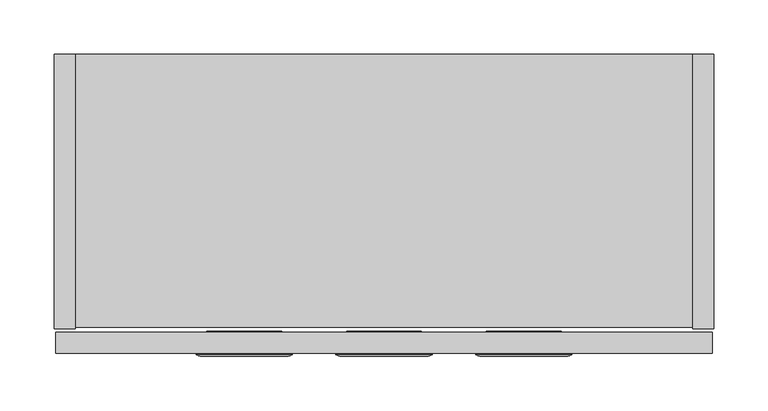
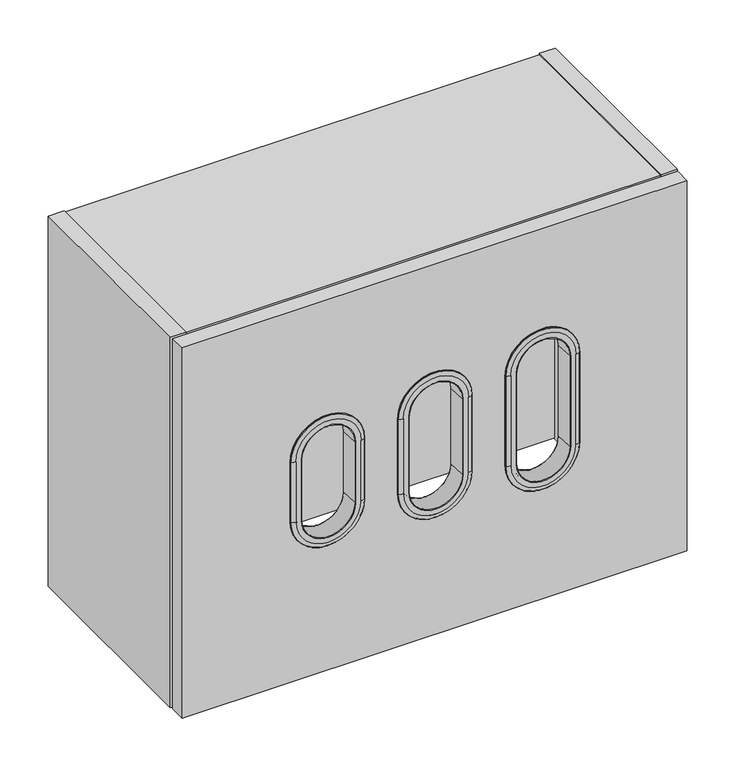
"""IFC4 building model written with IfcOpenShell, lengths in millimetres: furniture geometry."""

from ifc_helpers import new_model, si_unit, point, frame, frame_2d, origin, place, context, project, spatial, polyline, circle_curve, ellipse_curve, trimmed, segment, composite_curve, outline, extrude, source, transform, mapped, element, save
from ifc_brep_helpers import plane_surface, cylinder_surface, revolved_surface, advanced_brep


def furniture_492962ea(model_context):
    return source(origin(), model_context, "Body", "SolidModel", [
        extrude(outline(polyline([(609.6, -253.746), (590.296, -253.746), (590.296, 0.0), (609.6, 0.0), (609.6, -253.746)])), frame((0.0, 0.0, 1879.6), z_axis=(0.0, 0.0, 1.0), x_axis=(1.0, 0.0, 0.0)), (0.0, 0.0, 1.0), 469.9),
        extrude(outline(polyline([(19.304, -253.746), (0.0, -253.746), (0.0, 0.0), (19.304, 0.0), (19.304, -253.746)])), frame((0.0, 0.0, 1879.6), z_axis=(0.0, 0.0, 1.0), x_axis=(1.0, 0.0, 0.0)), (0.0, 0.0, 1.0), 469.9),
        extrude(outline(polyline([(590.296, -12.7), (590.296, -32.004), (19.304, -32.004), (19.304, -12.7), (590.296, -12.7)])), frame((0.0, 0.0, 1881.124), z_axis=(0.0, 0.0, 1.0), x_axis=(1.0, 0.0, 0.0)), (0.0, 0.0, 1.0), 449.072),
        extrude(outline(polyline([(590.296, -252.222), (19.304, -252.222), (19.304, -150.622), (590.296, -150.622), (590.296, -252.222)])), frame((0.0, 0.0, 1881.124), z_axis=(0.0, 0.0, 1.0), x_axis=(1.0, 0.0, 0.0)), (0.0, 0.0, 1.0), 19.304),
        extrude(outline(polyline([(590.296, -252.222), (19.304, -252.222), (19.304, 0.0), (590.296, 0.0), (590.296, -252.222)])), frame((0.0, 0.0, 2330.196), z_axis=(0.0, 0.0, 1.0), x_axis=(1.0, 0.0, 0.0)), (0.0, 0.0, 1.0), 17.78),
        advanced_brep(
        [(465.9192539, -278.6290346, 2178.05), (465.1479285, -256.5411669, 2178.05), (465.1479285, -256.5411669, 2063.75), (465.9192539, -278.6290346, 2063.75), (466.5334946, -279.2222, 2178.05), (466.5334946, -279.2222, 2063.75), (477.995775, -277.8997336, 2178.05), (473.034376, -279.2222, 2178.05), (473.034376, -279.2222, 2063.75), (477.995775, -277.8997336, 2063.75), (478.408104, -277.2288403, 2178.05), (478.408104, -277.2288403, 2063.75), (478.4607131, -276.225, 2178.05), (478.4607131, -276.225, 2063.75), (468.4776, -255.905, 2178.05), (468.4776, -276.225, 2178.05), (468.4776, -276.225, 2063.75), (468.4776, -255.905, 2063.75), (465.7622678, -255.905, 2178.05), (465.7622678, -255.905, 2063.75), (401.9479461, -278.6290346, 2063.75), (402.7192715, -256.5411669, 2063.75), (401.3337054, -279.2222, 2063.75), (389.871425, -277.8997336, 2063.75), (394.832824, -279.2222, 2063.75), (389.459096, -277.2288403, 2063.75), (389.4064869, -276.225, 2063.75), (399.3896, -255.905, 2063.75), (399.3896, -276.225, 2063.75), (402.1049322, -255.905, 2063.75), (402.7192715, -256.5411669, 2178.05), (401.9479461, -278.6290346, 2178.05), (401.3337054, -279.2222, 2178.05), (394.832824, -279.2222, 2178.05), (389.871425, -277.8997336, 2178.05), (389.459096, -277.2288403, 2178.05), (389.4064869, -276.225, 2178.05), (399.3896, -276.225, 2178.05), (399.3896, -255.905, 2178.05), (402.1049322, -255.905, 2178.05)],
        [
            (0, 1),
            (1, 2),
            (2, 3),
            (3, 0),
            (4, 0, circle_curve(frame((466.5334946, -278.6075849, 2178.05), z_axis=(0.0, 0.0, -1.0), x_axis=(1.0, 0.0, 0.0)), 0.6146151)),
            (3, 5, circle_curve(frame((466.5334946, -278.6075849, 2063.75), z_axis=(0.0, 0.0, 1.0), x_axis=(1.0, 0.0, 0.0)), 0.6146151)),
            (5, 4),
            (6, 7, circle_curve(frame((473.034376, -269.254311, 2178.05), z_axis=(0.0, 0.0, -1.0), x_axis=(1.0, 0.0, 0.0)), 9.967889)),
            (7, 8),
            (8, 9, circle_curve(frame((473.034376, -269.254311, 2063.75), z_axis=(0.0, 0.0, 1.0), x_axis=(1.0, 0.0, 0.0)), 9.967889)),
            (9, 6),
            (10, 6, circle_curve(frame((477.5860416, -277.1857579, 2178.05), z_axis=(0.0, 0.0, -1.0), x_axis=(1.0, 0.0, 0.0)), 0.8231906)),
            (9, 11, circle_curve(frame((477.5860416, -277.1857579, 2063.75), z_axis=(0.0, 0.0, 1.0), x_axis=(1.0, 0.0, 0.0)), 0.8231906)),
            (11, 10),
            (12, 10),
            (11, 13),
            (13, 12),
            (14, 15),
            (15, 16),
            (16, 17),
            (17, 14),
            (1, 18, circle_curve(frame((465.7622678, -256.5197137, 2178.05), z_axis=(0.0, 0.0, -1.0), x_axis=(1.0, 0.0, 0.0)), 0.6147137)),
            (18, 19),
            (19, 2, circle_curve(frame((465.7622678, -256.5197137, 2063.75), z_axis=(0.0, 0.0, 1.0), x_axis=(1.0, 0.0, 0.0)), 0.6147137)),
            (20, 3, circle_curve(frame((433.9336, -278.6290346, 2063.75), z_axis=(0.0, -1.0, 0.0), x_axis=(1.0, 0.0, 0.0)), 31.9856539)),
            (2, 21, circle_curve(frame((433.9336, -256.5411669, 2063.75), z_axis=(0.0, 1.0, 0.0), x_axis=(1.0, 0.0, 0.0)), 31.2143285)),
            (21, 20),
            (22, 5, circle_curve(frame((433.9336, -279.2222, 2063.75), z_axis=(0.0, -1.0, 0.0), x_axis=(1.0, 0.0, 0.0)), 32.5998946)),
            (20, 22, circle_curve(frame((401.3337054, -278.6075849, 2063.75), z_axis=(0.0, 0.0, -1.0), x_axis=(-1.0, 0.0, 0.0)), 0.6146151)),
            (23, 9, circle_curve(frame((433.9336, -277.8997336, 2063.75), z_axis=(0.0, -1.0, 0.0), x_axis=(1.0, 0.0, 0.0)), 44.062175)),
            (8, 24, circle_curve(frame((433.9336, -279.2222, 2063.75), z_axis=(0.0, 1.0, 0.0), x_axis=(1.0, 0.0, 0.0)), 39.100776)),
            (24, 23, circle_curve(frame((394.832824, -269.254311, 2063.75), z_axis=(0.0, 0.0, -1.0), x_axis=(-1.0, 0.0, 0.0)), 9.967889)),
            (25, 11, circle_curve(frame((433.9336, -277.2288403, 2063.75), z_axis=(0.0, -1.0, 0.0), x_axis=(1.0, 0.0, 0.0)), 44.474504)),
            (23, 25, circle_curve(frame((390.2811584, -277.1857579, 2063.75), z_axis=(0.0, 0.0, -1.0), x_axis=(-1.0, 0.0, 0.0)), 0.8231906)),
            (26, 13, circle_curve(frame((433.9336, -276.225, 2063.75), z_axis=(0.0, -1.0, 0.0), x_axis=(1.0, 0.0, 0.0)), 44.5271131)),
            (25, 26),
            (27, 17, circle_curve(frame((433.9336, -255.905, 2063.75), z_axis=(0.0, -1.0, 0.0), x_axis=(1.0, 0.0, 0.0)), 34.544)),
            (16, 28, circle_curve(frame((433.9336, -276.225, 2063.75), z_axis=(0.0, 1.0, 0.0), x_axis=(1.0, 0.0, 0.0)), 34.544)),
            (28, 27),
            (19, 29, circle_curve(frame((433.9336, -255.905, 2063.75), z_axis=(0.0, 1.0, 0.0), x_axis=(1.0, 0.0, 0.0)), 31.8286678)),
            (29, 21, circle_curve(frame((402.1049322, -256.5197137, 2063.75), z_axis=(0.0, 0.0, -1.0), x_axis=(-1.0, 0.0, 0.0)), 0.6147137)),
            (21, 30),
            (30, 31),
            (31, 20),
            (31, 32, circle_curve(frame((401.3337054, -278.6075849, 2178.05), z_axis=(0.0, 0.0, -1.0), x_axis=(-1.0, 0.0, 0.0)), 0.6146151)),
            (32, 22),
            (24, 33),
            (33, 34, circle_curve(frame((394.832824, -269.254311, 2178.05), z_axis=(0.0, 0.0, -1.0), x_axis=(-1.0, 0.0, 0.0)), 9.967889)),
            (34, 23),
            (34, 35, circle_curve(frame((390.2811584, -277.1857579, 2178.05), z_axis=(0.0, 0.0, -1.0), x_axis=(-1.0, 0.0, 0.0)), 0.8231906)),
            (35, 25),
            (35, 36),
            (36, 26),
            (28, 37),
            (37, 38),
            (38, 27),
            (29, 39),
            (39, 30, circle_curve(frame((402.1049322, -256.5197137, 2178.05), z_axis=(0.0, 0.0, -1.0), x_axis=(-1.0, 0.0, 0.0)), 0.6147137)),
            (0, 31, circle_curve(frame((433.9336, -278.6290346, 2178.05), z_axis=(0.0, -1.0, 0.0), x_axis=(-1.0, 0.0, 0.0)), 31.9856539)),
            (30, 1, circle_curve(frame((433.9336, -256.5411669, 2178.05), z_axis=(0.0, 1.0, 0.0), x_axis=(-1.0, 0.0, 0.0)), 31.2143285)),
            (4, 32, circle_curve(frame((433.9336, -279.2222, 2178.05), z_axis=(0.0, -1.0, 0.0), x_axis=(-1.0, 0.0, 0.0)), 32.5998946)),
            (7, 33, circle_curve(frame((433.9336, -279.2222, 2178.05), z_axis=(0.0, -1.0, 0.0), x_axis=(-1.0, 0.0, 0.0)), 39.100776)),
            (6, 34, circle_curve(frame((433.9336, -277.8997336, 2178.05), z_axis=(0.0, -1.0, 0.0), x_axis=(-1.0, 0.0, 0.0)), 44.062175)),
            (10, 35, circle_curve(frame((433.9336, -277.2288403, 2178.05), z_axis=(0.0, -1.0, 0.0), x_axis=(-1.0, 0.0, 0.0)), 44.474504)),
            (12, 36, circle_curve(frame((433.9336, -276.225, 2178.05), z_axis=(0.0, -1.0, 0.0), x_axis=(-1.0, 0.0, 0.0)), 44.5271131)),
            (15, 37, circle_curve(frame((433.9336, -276.225, 2178.05), z_axis=(0.0, -1.0, 0.0), x_axis=(-1.0, 0.0, 0.0)), 34.544)),
            (14, 38, circle_curve(frame((433.9336, -255.905, 2178.05), z_axis=(0.0, -1.0, 0.0), x_axis=(-1.0, 0.0, 0.0)), 34.544)),
            (18, 39, circle_curve(frame((433.9336, -255.905, 2178.05), z_axis=(0.0, -1.0, 0.0), x_axis=(-1.0, 0.0, 0.0)), 31.8286678)),
        ],
        [
            plane_surface(frame((465.1479285, -256.5411669, 2178.05), z_axis=(-0.9993908270190941, -0.03489949670254908, 0.0), x_axis=(0.0, 0.0, -1.0))),
            cylinder_surface(frame((466.5334946, -278.6075849, 2178.05), z_axis=(0.0, 0.0, 1.0), x_axis=(1.0, 0.0, 0.0)), 0.6146151),
            cylinder_surface(frame((473.034376, -269.254311, 2178.05), z_axis=(0.0, 0.0, 1.0), x_axis=(1.0, 0.0, 0.0)), 9.967889),
            cylinder_surface(frame((477.5860416, -277.1857579, 2178.05), z_axis=(0.0, 0.0, 1.0), x_axis=(1.0, 0.0, 0.0)), 0.8231906),
            plane_surface(frame((478.408104, -277.2288403, 2178.05), z_axis=(0.9986295347545768, -0.052335956242888795, 0.0), x_axis=(0.0, 0.0, -1.0))),
            plane_surface(frame((468.4776, -276.225, 2178.05), z_axis=(1.0, 0.0, 0.0), x_axis=(0.0, 0.0, -1.0))),
            cylinder_surface(frame((465.7622678, -256.5197137, 2178.05), z_axis=(0.0, 0.0, 1.0), x_axis=(1.0, 0.0, 0.0)), 0.6147137),
            revolved_surface(polyline([(465.1479285, -256.5411669, 2063.75), (465.9192539, -278.6290346, 2063.75)]), (433.9336, -276.225, 2063.75), (0.0, 1.0, 0.0)),
            revolved_surface(trimmed(ellipse_curve(frame((466.5334946, -278.6075849, 2063.75), z_axis=(0.0, 0.0, 1.0), x_axis=(1.0, 0.0, 0.0)), 0.6146151, 0.6146151), [point((465.9192539, -278.6290346, 2063.75))], [point((466.5334946, -279.2222, 2063.75))], True, "CARTESIAN"), (433.9336, -276.225, 2063.75), (0.0, 1.0, 0.0)),
            revolved_surface(trimmed(ellipse_curve(frame((473.034376, -269.254311, 2063.75), z_axis=(0.0, 0.0, 1.0), x_axis=(1.0, 0.0, 0.0)), 9.967889, 9.967889), [point((473.034376, -279.2222, 2063.75))], [point((477.995775, -277.8997336, 2063.75))], True, "CARTESIAN"), (433.9336, -276.225, 2063.75), (0.0, 1.0, 0.0)),
            revolved_surface(trimmed(ellipse_curve(frame((477.5860416, -277.1857579, 2063.75), z_axis=(0.0, 0.0, 1.0), x_axis=(1.0, 0.0, 0.0)), 0.8231906, 0.8231906), [point((477.995775, -277.8997336, 2063.75))], [point((478.408104, -277.2288403, 2063.75))], True, "CARTESIAN"), (433.9336, -276.225, 2063.75), (0.0, 1.0, 0.0)),
            revolved_surface(polyline([(478.408104, -277.2288403, 2063.75), (478.4607131, -276.225, 2063.75)]), (433.9336, -276.225, 2063.75), (0.0, 1.0, 0.0)),
            cylinder_surface(frame((433.9336, -276.225, 2063.75), z_axis=(0.0, 1.0, 0.0), x_axis=(1.0, 0.0, 0.0)), 34.544),
            revolved_surface(trimmed(ellipse_curve(frame((465.7622678, -256.5197137, 2063.75), z_axis=(0.0, 0.0, 1.0), x_axis=(1.0, 0.0, 0.0)), 0.6147137, 0.6147137), [point((465.7622678, -255.905, 2063.75))], [point((465.1479285, -256.5411669, 2063.75))], True, "CARTESIAN"), (433.9336, -276.225, 2063.75), (0.0, 1.0, 0.0)),
            plane_surface(frame((402.7192715, -256.5411669, 2063.75), z_axis=(0.9993908270190941, -0.03489949670254908, 0.0), x_axis=(0.0, 0.0, 1.0))),
            cylinder_surface(frame((401.3337054, -278.6075849, 2063.75), z_axis=(0.0, 0.0, -1.0), x_axis=(-1.0, 0.0, 0.0)), 0.6146151),
            cylinder_surface(frame((394.832824, -269.254311, 2063.75), z_axis=(0.0, 0.0, -1.0), x_axis=(-1.0, 0.0, 0.0)), 9.967889),
            cylinder_surface(frame((390.2811584, -277.1857579, 2063.75), z_axis=(0.0, 0.0, -1.0), x_axis=(-1.0, 0.0, 0.0)), 0.8231906),
            plane_surface(frame((389.459096, -277.2288403, 2063.75), z_axis=(-0.9986295347545768, -0.052335956242888795, 0.0), x_axis=(0.0, 0.0, 1.0))),
            plane_surface(frame((399.3896, -276.225, 2063.75), z_axis=(-1.0, 0.0, 0.0), x_axis=(0.0, 0.0, 1.0))),
            cylinder_surface(frame((402.1049322, -256.5197137, 2063.75), z_axis=(0.0, 0.0, -1.0), x_axis=(-1.0, 0.0, 0.0)), 0.6147137),
            revolved_surface(polyline([(402.7192715, -256.5411669, 2178.05), (401.9479461, -278.6290346, 2178.05)]), (433.9336, -276.225, 2178.05), (0.0, 1.0, 0.0)),
            revolved_surface(trimmed(ellipse_curve(frame((401.3337054, -278.6075849, 2178.05), z_axis=(0.0, 0.0, -1.0), x_axis=(-1.0, 0.0, 0.0)), 0.6146151, 0.6146151), [point((401.9479461, -278.6290346, 2178.05))], [point((401.3337054, -279.2222, 2178.05))], True, "CARTESIAN"), (433.9336, -276.225, 2178.05), (0.0, 1.0, 0.0)),
            plane_surface(frame((433.9336, -279.2222, 2178.05), z_axis=(0.0, -1.0, 0.0), x_axis=(-1.0, 0.0, 0.0))),
            revolved_surface(trimmed(ellipse_curve(frame((394.832824, -269.254311, 2178.05), z_axis=(0.0, 0.0, -1.0), x_axis=(-1.0, 0.0, 0.0)), 9.967889, 9.967889), [point((394.832824, -279.2222, 2178.05))], [point((389.871425, -277.8997336, 2178.05))], True, "CARTESIAN"), (433.9336, -276.225, 2178.05), (0.0, 1.0, 0.0)),
            revolved_surface(trimmed(ellipse_curve(frame((390.2811584, -277.1857579, 2178.05), z_axis=(0.0, 0.0, -1.0), x_axis=(-1.0, 0.0, 0.0)), 0.8231906, 0.8231906), [point((389.871425, -277.8997336, 2178.05))], [point((389.459096, -277.2288403, 2178.05))], True, "CARTESIAN"), (433.9336, -276.225, 2178.05), (0.0, 1.0, 0.0)),
            revolved_surface(polyline([(389.459096, -277.2288403, 2178.05), (389.4064869, -276.225, 2178.05)]), (433.9336, -276.225, 2178.05), (0.0, 1.0, 0.0)),
            plane_surface(frame((433.9336, -276.225, 2178.05), z_axis=(0.0, 1.0, 0.0), x_axis=(-1.0, 0.0, 0.0))),
            cylinder_surface(frame((433.9336, -276.225, 2178.05), z_axis=(0.0, 1.0, 0.0), x_axis=(-1.0, 0.0, 0.0)), 34.544),
            plane_surface(frame((433.9336, -255.905, 2178.05), z_axis=(0.0, 1.0, 0.0), x_axis=(-1.0, 0.0, 0.0))),
            revolved_surface(trimmed(ellipse_curve(frame((402.1049322, -256.5197137, 2178.05), z_axis=(0.0, 0.0, -1.0), x_axis=(-1.0, 0.0, 0.0)), 0.6147137, 0.6147137), [point((402.1049322, -255.905, 2178.05))], [point((402.7192715, -256.5411669, 2178.05))], True, "CARTESIAN"), (433.9336, -276.225, 2178.05), (0.0, 1.0, 0.0)),
        ],
        [
            (0, [[1, 2, 3, 4]]),
            (1, [[5, -4, 6, 7]]),
            (2, [[8, 9, 10, 11]]),
            (3, [[12, -11, 13, 14]]),
            (4, [[15, -14, 16, 17]]),
            (5, [[18, 19, 20, 21]]),
            (6, [[22, 23, 24, -2]]),
            (7, [[25, -3, 26, 27]]),
            (8, [[28, -6, -25, 29]]),
            (9, [[30, -10, 31, 32]]),
            (10, [[33, -13, -30, 34]]),
            (11, [[35, -16, -33, 36]]),
            (12, [[37, -20, 38, 39]]),
            (13, [[-26, -24, 40, 41]]),
            (14, [[-27, 42, 43, 44]]),
            (15, [[-29, -44, 45, 46]]),
            (16, [[-32, 47, 48, 49]]),
            (17, [[-34, -49, 50, 51]]),
            (18, [[-36, -51, 52, 53]]),
            (19, [[-39, 54, 55, 56]]),
            (20, [[-41, 57, 58, -42]]),
            (21, [[59, -43, 60, -1]]),
            (22, [[61, -45, -59, -5]]),
            (23, [[62, -47, -31, -9], [-28, -46, -61, -7]]),
            (24, [[63, -48, -62, -8]]),
            (25, [[64, -50, -63, -12]]),
            (26, [[65, -52, -64, -15]]),
            (27, [[-35, -53, -65, -17], [66, -54, -38, -19]]),
            (28, [[67, -55, -66, -18]]),
            (29, [[-37, -56, -67, -21], [68, -57, -40, -23]]),
            (30, [[-60, -58, -68, -22]]),
        ],
    ),
        advanced_brep(
        [(336.7856539, -278.6290346, 2168.525), (336.0143285, -256.5411669, 2168.525), (336.0143285, -256.5411669, 2073.275), (336.7856539, -278.6290346, 2073.275), (337.3998946, -279.2222, 2168.525), (337.3998946, -279.2222, 2073.275), (348.862175, -277.8997336, 2168.525), (343.900776, -279.2222, 2168.525), (343.900776, -279.2222, 2073.275), (348.862175, -277.8997336, 2073.275), (349.274504, -277.2288403, 2168.525), (349.274504, -277.2288403, 2073.275), (349.3271131, -276.225, 2168.525), (349.3271131, -276.225, 2073.275), (339.344, -255.905, 2168.525), (339.344, -276.225, 2168.525), (339.344, -276.225, 2073.275), (339.344, -255.905, 2073.275), (336.6286678, -255.905, 2168.525), (336.6286678, -255.905, 2073.275), (272.8143461, -278.6290346, 2073.275), (273.5856715, -256.5411669, 2073.275), (272.2001054, -279.2222, 2073.275), (260.737825, -277.8997336, 2073.275), (265.699224, -279.2222, 2073.275), (260.325496, -277.2288403, 2073.275), (260.2728869, -276.225, 2073.275), (270.256, -255.905, 2073.275), (270.256, -276.225, 2073.275), (272.9713322, -255.905, 2073.275), (273.5856715, -256.5411669, 2168.525), (272.8143461, -278.6290346, 2168.525), (272.2001054, -279.2222, 2168.525), (265.699224, -279.2222, 2168.525), (260.737825, -277.8997336, 2168.525), (260.325496, -277.2288403, 2168.525), (260.2728869, -276.225, 2168.525), (270.256, -276.225, 2168.525), (270.256, -255.905, 2168.525), (272.9713322, -255.905, 2168.525)],
        [
            (0, 1),
            (1, 2),
            (2, 3),
            (3, 0),
            (4, 0, circle_curve(frame((337.3998946, -278.6075849, 2168.525), z_axis=(0.0, 0.0, -1.0), x_axis=(1.0, 0.0, 0.0)), 0.6146151)),
            (3, 5, circle_curve(frame((337.3998946, -278.6075849, 2073.275), z_axis=(0.0, 0.0, 1.0), x_axis=(1.0, 0.0, 0.0)), 0.6146151)),
            (5, 4),
            (6, 7, circle_curve(frame((343.900776, -269.254311, 2168.525), z_axis=(0.0, 0.0, -1.0), x_axis=(1.0, 0.0, 0.0)), 9.967889)),
            (7, 8),
            (8, 9, circle_curve(frame((343.900776, -269.254311, 2073.275), z_axis=(0.0, 0.0, 1.0), x_axis=(1.0, 0.0, 0.0)), 9.967889)),
            (9, 6),
            (10, 6, circle_curve(frame((348.4524416, -277.1857579, 2168.525), z_axis=(0.0, 0.0, -1.0), x_axis=(1.0, 0.0, 0.0)), 0.8231906)),
            (9, 11, circle_curve(frame((348.4524416, -277.1857579, 2073.275), z_axis=(0.0, 0.0, 1.0), x_axis=(1.0, 0.0, 0.0)), 0.8231906)),
            (11, 10),
            (12, 10),
            (11, 13),
            (13, 12),
            (14, 15),
            (15, 16),
            (16, 17),
            (17, 14),
            (1, 18, circle_curve(frame((336.6286678, -256.5197137, 2168.525), z_axis=(0.0, 0.0, -1.0), x_axis=(1.0, 0.0, 0.0)), 0.6147137)),
            (18, 19),
            (19, 2, circle_curve(frame((336.6286678, -256.5197137, 2073.275), z_axis=(0.0, 0.0, 1.0), x_axis=(1.0, 0.0, 0.0)), 0.6147137)),
            (20, 3, circle_curve(frame((304.8, -278.6290346, 2073.275), z_axis=(0.0, -1.0, 0.0), x_axis=(1.0, 0.0, 0.0)), 31.9856539)),
            (2, 21, circle_curve(frame((304.8, -256.5411669, 2073.275), z_axis=(0.0, 1.0, 0.0), x_axis=(1.0, 0.0, 0.0)), 31.2143285)),
            (21, 20),
            (22, 5, circle_curve(frame((304.8, -279.2222, 2073.275), z_axis=(0.0, -1.0, 0.0), x_axis=(1.0, 0.0, 0.0)), 32.5998946)),
            (20, 22, circle_curve(frame((272.2001054, -278.6075849, 2073.275), z_axis=(0.0, 0.0, -1.0), x_axis=(-1.0, 0.0, 0.0)), 0.6146151)),
            (23, 9, circle_curve(frame((304.8, -277.8997336, 2073.275), z_axis=(0.0, -1.0, 0.0), x_axis=(1.0, 0.0, 0.0)), 44.062175)),
            (8, 24, circle_curve(frame((304.8, -279.2222, 2073.275), z_axis=(0.0, 1.0, 0.0), x_axis=(1.0, 0.0, 0.0)), 39.100776)),
            (24, 23, circle_curve(frame((265.699224, -269.254311, 2073.275), z_axis=(0.0, 0.0, -1.0), x_axis=(-1.0, 0.0, 0.0)), 9.967889)),
            (25, 11, circle_curve(frame((304.8, -277.2288403, 2073.275), z_axis=(0.0, -1.0, 0.0), x_axis=(1.0, 0.0, 0.0)), 44.474504)),
            (23, 25, circle_curve(frame((261.1475584, -277.1857579, 2073.275), z_axis=(0.0, 0.0, -1.0), x_axis=(-1.0, 0.0, 0.0)), 0.8231906)),
            (26, 13, circle_curve(frame((304.8, -276.225, 2073.275), z_axis=(0.0, -1.0, 0.0), x_axis=(1.0, 0.0, 0.0)), 44.5271131)),
            (25, 26),
            (27, 17, circle_curve(frame((304.8, -255.905, 2073.275), z_axis=(0.0, -1.0, 0.0), x_axis=(1.0, 0.0, 0.0)), 34.544)),
            (16, 28, circle_curve(frame((304.8, -276.225, 2073.275), z_axis=(0.0, 1.0, 0.0), x_axis=(1.0, 0.0, 0.0)), 34.544)),
            (28, 27),
            (19, 29, circle_curve(frame((304.8, -255.905, 2073.275), z_axis=(0.0, 1.0, 0.0), x_axis=(1.0, 0.0, 0.0)), 31.8286678)),
            (29, 21, circle_curve(frame((272.9713322, -256.5197137, 2073.275), z_axis=(0.0, 0.0, -1.0), x_axis=(-1.0, 0.0, 0.0)), 0.6147137)),
            (21, 30),
            (30, 31),
            (31, 20),
            (31, 32, circle_curve(frame((272.2001054, -278.6075849, 2168.525), z_axis=(0.0, 0.0, -1.0), x_axis=(-1.0, 0.0, 0.0)), 0.6146151)),
            (32, 22),
            (24, 33),
            (33, 34, circle_curve(frame((265.699224, -269.254311, 2168.525), z_axis=(0.0, 0.0, -1.0), x_axis=(-1.0, 0.0, 0.0)), 9.967889)),
            (34, 23),
            (34, 35, circle_curve(frame((261.1475584, -277.1857579, 2168.525), z_axis=(0.0, 0.0, -1.0), x_axis=(-1.0, 0.0, 0.0)), 0.8231906)),
            (35, 25),
            (35, 36),
            (36, 26),
            (28, 37),
            (37, 38),
            (38, 27),
            (29, 39),
            (39, 30, circle_curve(frame((272.9713322, -256.5197137, 2168.525), z_axis=(0.0, 0.0, -1.0), x_axis=(-1.0, 0.0, 0.0)), 0.6147137)),
            (0, 31, circle_curve(frame((304.8, -278.6290346, 2168.525), z_axis=(0.0, -1.0, 0.0), x_axis=(-1.0, 0.0, 0.0)), 31.9856539)),
            (30, 1, circle_curve(frame((304.8, -256.5411669, 2168.525), z_axis=(0.0, 1.0, 0.0), x_axis=(-1.0, 0.0, 0.0)), 31.2143285)),
            (4, 32, circle_curve(frame((304.8, -279.2222, 2168.525), z_axis=(0.0, -1.0, 0.0), x_axis=(-1.0, 0.0, 0.0)), 32.5998946)),
            (7, 33, circle_curve(frame((304.8, -279.2222, 2168.525), z_axis=(0.0, -1.0, 0.0), x_axis=(-1.0, 0.0, 0.0)), 39.100776)),
            (6, 34, circle_curve(frame((304.8, -277.8997336, 2168.525), z_axis=(0.0, -1.0, 0.0), x_axis=(-1.0, 0.0, 0.0)), 44.062175)),
            (10, 35, circle_curve(frame((304.8, -277.2288403, 2168.525), z_axis=(0.0, -1.0, 0.0), x_axis=(-1.0, 0.0, 0.0)), 44.474504)),
            (12, 36, circle_curve(frame((304.8, -276.225, 2168.525), z_axis=(0.0, -1.0, 0.0), x_axis=(-1.0, 0.0, 0.0)), 44.5271131)),
            (15, 37, circle_curve(frame((304.8, -276.225, 2168.525), z_axis=(0.0, -1.0, 0.0), x_axis=(-1.0, 0.0, 0.0)), 34.544)),
            (14, 38, circle_curve(frame((304.8, -255.905, 2168.525), z_axis=(0.0, -1.0, 0.0), x_axis=(-1.0, 0.0, 0.0)), 34.544)),
            (18, 39, circle_curve(frame((304.8, -255.905, 2168.525), z_axis=(0.0, -1.0, 0.0), x_axis=(-1.0, 0.0, 0.0)), 31.8286678)),
        ],
        [
            plane_surface(frame((336.0143285, -256.5411669, 2168.525), z_axis=(-0.999390827019094, -0.034899496702549854, 0.0), x_axis=(0.0, 0.0, -1.0))),
            cylinder_surface(frame((337.3998946, -278.6075849, 2168.525), z_axis=(0.0, 0.0, 1.0), x_axis=(1.0, 0.0, 0.0)), 0.6146151),
            cylinder_surface(frame((343.900776, -269.254311, 2168.525), z_axis=(0.0, 0.0, 1.0), x_axis=(1.0, 0.0, 0.0)), 9.967889),
            cylinder_surface(frame((348.4524416, -277.1857579, 2168.525), z_axis=(0.0, 0.0, 1.0), x_axis=(1.0, 0.0, 0.0)), 0.8231906),
            plane_surface(frame((349.274504, -277.2288403, 2168.525), z_axis=(0.9986295347546317, -0.05233595624184051, 0.0), x_axis=(0.0, 0.0, -1.0))),
            plane_surface(frame((339.344, -276.225, 2168.525), z_axis=(1.0, 0.0, 0.0), x_axis=(0.0, 0.0, -1.0))),
            cylinder_surface(frame((336.6286678, -256.5197137, 2168.525), z_axis=(0.0, 0.0, 1.0), x_axis=(1.0, 0.0, 0.0)), 0.6147137),
            revolved_surface(polyline([(336.0143285, -256.5411669, 2073.275), (336.7856539, -278.6290346, 2073.275)]), (304.8, -276.225, 2073.275), (0.0, 1.0, 0.0)),
            revolved_surface(trimmed(ellipse_curve(frame((337.3998946, -278.6075849, 2073.275), z_axis=(0.0, 0.0, 1.0), x_axis=(1.0, 0.0, 0.0)), 0.6146151, 0.6146151), [point((336.7856539, -278.6290346, 2073.275))], [point((337.3998946, -279.2222, 2073.275))], True, "CARTESIAN"), (304.8, -276.225, 2073.275), (0.0, 1.0, 0.0)),
            revolved_surface(trimmed(ellipse_curve(frame((343.900776, -269.254311, 2073.275), z_axis=(0.0, 0.0, 1.0), x_axis=(1.0, 0.0, 0.0)), 9.967889, 9.967889), [point((343.900776, -279.2222, 2073.275))], [point((348.862175, -277.8997336, 2073.275))], True, "CARTESIAN"), (304.8, -276.225, 2073.275), (0.0, 1.0, 0.0)),
            revolved_surface(trimmed(ellipse_curve(frame((348.4524416, -277.1857579, 2073.275), z_axis=(0.0, 0.0, 1.0), x_axis=(1.0, 0.0, 0.0)), 0.8231906, 0.8231906), [point((348.862175, -277.8997336, 2073.275))], [point((349.274504, -277.2288403, 2073.275))], True, "CARTESIAN"), (304.8, -276.225, 2073.275), (0.0, 1.0, 0.0)),
            revolved_surface(polyline([(349.274504, -277.2288403, 2073.275), (349.3271131, -276.225, 2073.275)]), (304.8, -276.225, 2073.275), (0.0, 1.0, 0.0)),
            cylinder_surface(frame((304.8, -276.225, 2073.275), z_axis=(0.0, 1.0, 0.0), x_axis=(1.0, 0.0, 0.0)), 34.544),
            revolved_surface(trimmed(ellipse_curve(frame((336.6286678, -256.5197137, 2073.275), z_axis=(0.0, 0.0, 1.0), x_axis=(1.0, 0.0, 0.0)), 0.6147137, 0.6147137), [point((336.6286678, -255.905, 2073.275))], [point((336.0143285, -256.5411669, 2073.275))], True, "CARTESIAN"), (304.8, -276.225, 2073.275), (0.0, 1.0, 0.0)),
            plane_surface(frame((273.5856715, -256.5411669, 2073.275), z_axis=(0.999390827019094, -0.034899496702549854, 0.0), x_axis=(0.0, 0.0, 1.0))),
            cylinder_surface(frame((272.2001054, -278.6075849, 2073.275), z_axis=(0.0, 0.0, -1.0), x_axis=(-1.0, 0.0, 0.0)), 0.6146151),
            cylinder_surface(frame((265.699224, -269.254311, 2073.275), z_axis=(0.0, 0.0, -1.0), x_axis=(-1.0, 0.0, 0.0)), 9.967889),
            cylinder_surface(frame((261.1475584, -277.1857579, 2073.275), z_axis=(0.0, 0.0, -1.0), x_axis=(-1.0, 0.0, 0.0)), 0.8231906),
            plane_surface(frame((260.325496, -277.2288403, 2073.275), z_axis=(-0.9986295347546317, -0.05233595624184051, 0.0), x_axis=(0.0, 0.0, 1.0))),
            plane_surface(frame((270.256, -276.225, 2073.275), z_axis=(-1.0, 0.0, 0.0), x_axis=(0.0, 0.0, 1.0))),
            cylinder_surface(frame((272.9713322, -256.5197137, 2073.275), z_axis=(0.0, 0.0, -1.0), x_axis=(-1.0, 0.0, 0.0)), 0.6147137),
            revolved_surface(polyline([(273.5856715, -256.5411669, 2168.525), (272.8143461, -278.6290346, 2168.525)]), (304.8, -276.225, 2168.525), (0.0, 1.0, 0.0)),
            revolved_surface(trimmed(ellipse_curve(frame((272.2001054, -278.6075849, 2168.525), z_axis=(0.0, 0.0, -1.0), x_axis=(-1.0, 0.0, 0.0)), 0.6146151, 0.6146151), [point((272.8143461, -278.6290346, 2168.525))], [point((272.2001054, -279.2222, 2168.525))], True, "CARTESIAN"), (304.8, -276.225, 2168.525), (0.0, 1.0, 0.0)),
            plane_surface(frame((304.8, -279.2222, 2168.525), z_axis=(0.0, -1.0, 0.0), x_axis=(-1.0, 0.0, 0.0))),
            revolved_surface(trimmed(ellipse_curve(frame((265.699224, -269.254311, 2168.525), z_axis=(0.0, 0.0, -1.0), x_axis=(-1.0, 0.0, 0.0)), 9.967889, 9.967889), [point((265.699224, -279.2222, 2168.525))], [point((260.737825, -277.8997336, 2168.525))], True, "CARTESIAN"), (304.8, -276.225, 2168.525), (0.0, 1.0, 0.0)),
            revolved_surface(trimmed(ellipse_curve(frame((261.1475584, -277.1857579, 2168.525), z_axis=(0.0, 0.0, -1.0), x_axis=(-1.0, 0.0, 0.0)), 0.8231906, 0.8231906), [point((260.737825, -277.8997336, 2168.525))], [point((260.325496, -277.2288403, 2168.525))], True, "CARTESIAN"), (304.8, -276.225, 2168.525), (0.0, 1.0, 0.0)),
            revolved_surface(polyline([(260.325496, -277.2288403, 2168.525), (260.2728869, -276.225, 2168.525)]), (304.8, -276.225, 2168.525), (0.0, 1.0, 0.0)),
            plane_surface(frame((304.8, -276.225, 2168.525), z_axis=(0.0, 1.0, 0.0), x_axis=(-1.0, 0.0, 0.0))),
            cylinder_surface(frame((304.8, -276.225, 2168.525), z_axis=(0.0, 1.0, 0.0), x_axis=(-1.0, 0.0, 0.0)), 34.544),
            plane_surface(frame((304.8, -255.905, 2168.525), z_axis=(0.0, 1.0, 0.0), x_axis=(-1.0, 0.0, 0.0))),
            revolved_surface(trimmed(ellipse_curve(frame((272.9713322, -256.5197137, 2168.525), z_axis=(0.0, 0.0, -1.0), x_axis=(-1.0, 0.0, 0.0)), 0.6147137, 0.6147137), [point((272.9713322, -255.905, 2168.525))], [point((273.5856715, -256.5411669, 2168.525))], True, "CARTESIAN"), (304.8, -276.225, 2168.525), (0.0, 1.0, 0.0)),
        ],
        [
            (0, [[1, 2, 3, 4]]),
            (1, [[5, -4, 6, 7]]),
            (2, [[8, 9, 10, 11]]),
            (3, [[12, -11, 13, 14]]),
            (4, [[15, -14, 16, 17]]),
            (5, [[18, 19, 20, 21]]),
            (6, [[22, 23, 24, -2]]),
            (7, [[25, -3, 26, 27]]),
            (8, [[28, -6, -25, 29]]),
            (9, [[30, -10, 31, 32]]),
            (10, [[33, -13, -30, 34]]),
            (11, [[35, -16, -33, 36]]),
            (12, [[37, -20, 38, 39]]),
            (13, [[-26, -24, 40, 41]]),
            (14, [[-27, 42, 43, 44]]),
            (15, [[-29, -44, 45, 46]]),
            (16, [[-32, 47, 48, 49]]),
            (17, [[-34, -49, 50, 51]]),
            (18, [[-36, -51, 52, 53]]),
            (19, [[-39, 54, 55, 56]]),
            (20, [[-41, 57, 58, -42]]),
            (21, [[59, -43, 60, -1]]),
            (22, [[61, -45, -59, -5]]),
            (23, [[62, -47, -31, -9], [-28, -46, -61, -7]]),
            (24, [[63, -48, -62, -8]]),
            (25, [[64, -50, -63, -12]]),
            (26, [[65, -52, -64, -15]]),
            (27, [[-35, -53, -65, -17], [66, -54, -38, -19]]),
            (28, [[67, -55, -66, -18]]),
            (29, [[-37, -56, -67, -21], [68, -57, -40, -23]]),
            (30, [[-60, -58, -68, -22]]),
        ],
    ),
        advanced_brep(
        [(207.6520539, -278.6290346, 2159.0), (206.8807285, -256.5411669, 2159.0), (206.8807285, -256.5411669, 2082.8), (207.6520539, -278.6290346, 2082.8), (208.2662946, -279.2222, 2159.0), (208.2662946, -279.2222, 2082.8), (219.728575, -277.8997336, 2159.0), (214.767176, -279.2222, 2159.0), (214.767176, -279.2222, 2082.8), (219.728575, -277.8997336, 2082.8), (220.140904, -277.2288403, 2159.0), (220.140904, -277.2288403, 2082.8), (220.1935131, -276.225, 2159.0), (220.1935131, -276.225, 2082.8), (210.2104, -255.905, 2159.0), (210.2104, -276.225, 2159.0), (210.2104, -276.225, 2082.8), (210.2104, -255.905, 2082.8), (207.4950678, -255.905, 2159.0), (207.4950678, -255.905, 2082.8), (143.6807461, -278.6290346, 2082.8), (144.4520715, -256.5411669, 2082.8), (143.0665054, -279.2222, 2082.8), (131.604225, -277.8997336, 2082.8), (136.565624, -279.2222, 2082.8), (131.191896, -277.2288403, 2082.8), (131.1392869, -276.225, 2082.8), (141.1224, -255.905, 2082.8), (141.1224, -276.225, 2082.8), (143.8377322, -255.905, 2082.8), (144.4520715, -256.5411669, 2159.0), (143.6807461, -278.6290346, 2159.0), (143.0665054, -279.2222, 2159.0), (136.565624, -279.2222, 2159.0), (131.604225, -277.8997336, 2159.0), (131.191896, -277.2288403, 2159.0), (131.1392869, -276.225, 2159.0), (141.1224, -276.225, 2159.0), (141.1224, -255.905, 2159.0), (143.8377322, -255.905, 2159.0)],
        [
            (0, 1),
            (1, 2),
            (2, 3),
            (3, 0),
            (4, 0, circle_curve(frame((208.2662946, -278.6075849, 2159.0), z_axis=(0.0, 0.0, -1.0), x_axis=(1.0, 0.0, 0.0)), 0.6146151)),
            (3, 5, circle_curve(frame((208.2662946, -278.6075849, 2082.8), z_axis=(0.0, 0.0, 1.0), x_axis=(1.0, 0.0, 0.0)), 0.6146151)),
            (5, 4),
            (6, 7, circle_curve(frame((214.767176, -269.254311, 2159.0), z_axis=(0.0, 0.0, -1.0), x_axis=(1.0, 0.0, 0.0)), 9.967889)),
            (7, 8),
            (8, 9, circle_curve(frame((214.767176, -269.254311, 2082.8), z_axis=(0.0, 0.0, 1.0), x_axis=(1.0, 0.0, 0.0)), 9.967889)),
            (9, 6),
            (10, 6, circle_curve(frame((219.3188416, -277.1857579, 2159.0), z_axis=(0.0, 0.0, -1.0), x_axis=(1.0, 0.0, 0.0)), 0.8231906)),
            (9, 11, circle_curve(frame((219.3188416, -277.1857579, 2082.8), z_axis=(0.0, 0.0, 1.0), x_axis=(1.0, 0.0, 0.0)), 0.8231906)),
            (11, 10),
            (12, 10),
            (11, 13),
            (13, 12),
            (14, 15),
            (15, 16),
            (16, 17),
            (17, 14),
            (1, 18, circle_curve(frame((207.4950678, -256.5197137, 2159.0), z_axis=(0.0, 0.0, -1.0), x_axis=(1.0, 0.0, 0.0)), 0.6147137)),
            (18, 19),
            (19, 2, circle_curve(frame((207.4950678, -256.5197137, 2082.8), z_axis=(0.0, 0.0, 1.0), x_axis=(1.0, 0.0, 0.0)), 0.6147137)),
            (20, 3, circle_curve(frame((175.6664, -278.6290346, 2082.8), z_axis=(0.0, -1.0, 0.0), x_axis=(1.0, 0.0, 0.0)), 31.9856539)),
            (2, 21, circle_curve(frame((175.6664, -256.5411669, 2082.8), z_axis=(0.0, 1.0, 0.0), x_axis=(1.0, 0.0, 0.0)), 31.2143285)),
            (21, 20),
            (22, 5, circle_curve(frame((175.6664, -279.2222, 2082.8), z_axis=(0.0, -1.0, 0.0), x_axis=(1.0, 0.0, 0.0)), 32.5998946)),
            (20, 22, circle_curve(frame((143.0665054, -278.6075849, 2082.8), z_axis=(0.0, 0.0, -1.0), x_axis=(-1.0, 0.0, 0.0)), 0.6146151)),
            (23, 9, circle_curve(frame((175.6664, -277.8997336, 2082.8), z_axis=(0.0, -1.0, 0.0), x_axis=(1.0, 0.0, 0.0)), 44.062175)),
            (8, 24, circle_curve(frame((175.6664, -279.2222, 2082.8), z_axis=(0.0, 1.0, 0.0), x_axis=(1.0, 0.0, 0.0)), 39.100776)),
            (24, 23, circle_curve(frame((136.565624, -269.254311, 2082.8), z_axis=(0.0, 0.0, -1.0), x_axis=(-1.0, 0.0, 0.0)), 9.967889)),
            (25, 11, circle_curve(frame((175.6664, -277.2288403, 2082.8), z_axis=(0.0, -1.0, 0.0), x_axis=(1.0, 0.0, 0.0)), 44.474504)),
            (23, 25, circle_curve(frame((132.0139584, -277.1857579, 2082.8), z_axis=(0.0, 0.0, -1.0), x_axis=(-1.0, 0.0, 0.0)), 0.8231906)),
            (26, 13, circle_curve(frame((175.6664, -276.225, 2082.8), z_axis=(0.0, -1.0, 0.0), x_axis=(1.0, 0.0, 0.0)), 44.5271131)),
            (25, 26),
            (27, 17, circle_curve(frame((175.6664, -255.905, 2082.8), z_axis=(0.0, -1.0, 0.0), x_axis=(1.0, 0.0, 0.0)), 34.544)),
            (16, 28, circle_curve(frame((175.6664, -276.225, 2082.8), z_axis=(0.0, 1.0, 0.0), x_axis=(1.0, 0.0, 0.0)), 34.544)),
            (28, 27),
            (19, 29, circle_curve(frame((175.6664, -255.905, 2082.8), z_axis=(0.0, 1.0, 0.0), x_axis=(1.0, 0.0, 0.0)), 31.8286678)),
            (29, 21, circle_curve(frame((143.8377322, -256.5197137, 2082.8), z_axis=(0.0, 0.0, -1.0), x_axis=(-1.0, 0.0, 0.0)), 0.6147137)),
            (21, 30),
            (30, 31),
            (31, 20),
            (31, 32, circle_curve(frame((143.0665054, -278.6075849, 2159.0), z_axis=(0.0, 0.0, -1.0), x_axis=(-1.0, 0.0, 0.0)), 0.6146151)),
            (32, 22),
            (24, 33),
            (33, 34, circle_curve(frame((136.565624, -269.254311, 2159.0), z_axis=(0.0, 0.0, -1.0), x_axis=(-1.0, 0.0, 0.0)), 9.967889)),
            (34, 23),
            (34, 35, circle_curve(frame((132.0139584, -277.1857579, 2159.0), z_axis=(0.0, 0.0, -1.0), x_axis=(-1.0, 0.0, 0.0)), 0.8231906)),
            (35, 25),
            (35, 36),
            (36, 26),
            (28, 37),
            (37, 38),
            (38, 27),
            (29, 39),
            (39, 30, circle_curve(frame((143.8377322, -256.5197137, 2159.0), z_axis=(0.0, 0.0, -1.0), x_axis=(-1.0, 0.0, 0.0)), 0.6147137)),
            (0, 31, circle_curve(frame((175.6664, -278.6290346, 2159.0), z_axis=(0.0, -1.0, 0.0), x_axis=(-1.0, 0.0, 0.0)), 31.9856539)),
            (30, 1, circle_curve(frame((175.6664, -256.5411669, 2159.0), z_axis=(0.0, 1.0, 0.0), x_axis=(-1.0, 0.0, 0.0)), 31.2143285)),
            (4, 32, circle_curve(frame((175.6664, -279.2222, 2159.0), z_axis=(0.0, -1.0, 0.0), x_axis=(-1.0, 0.0, 0.0)), 32.5998946)),
            (7, 33, circle_curve(frame((175.6664, -279.2222, 2159.0), z_axis=(0.0, -1.0, 0.0), x_axis=(-1.0, 0.0, 0.0)), 39.100776)),
            (6, 34, circle_curve(frame((175.6664, -277.8997336, 2159.0), z_axis=(0.0, -1.0, 0.0), x_axis=(-1.0, 0.0, 0.0)), 44.062175)),
            (10, 35, circle_curve(frame((175.6664, -277.2288403, 2159.0), z_axis=(0.0, -1.0, 0.0), x_axis=(-1.0, 0.0, 0.0)), 44.474504)),
            (12, 36, circle_curve(frame((175.6664, -276.225, 2159.0), z_axis=(0.0, -1.0, 0.0), x_axis=(-1.0, 0.0, 0.0)), 44.5271131)),
            (15, 37, circle_curve(frame((175.6664, -276.225, 2159.0), z_axis=(0.0, -1.0, 0.0), x_axis=(-1.0, 0.0, 0.0)), 34.544)),
            (14, 38, circle_curve(frame((175.6664, -255.905, 2159.0), z_axis=(0.0, -1.0, 0.0), x_axis=(-1.0, 0.0, 0.0)), 34.544)),
            (18, 39, circle_curve(frame((175.6664, -255.905, 2159.0), z_axis=(0.0, -1.0, 0.0), x_axis=(-1.0, 0.0, 0.0)), 31.8286678)),
        ],
        [
            plane_surface(frame((206.8807285, -256.5411669, 2159.0), z_axis=(-0.999390827019094, -0.034899496702549854, 0.0), x_axis=(0.0, 0.0, -1.0))),
            cylinder_surface(frame((208.2662946, -278.6075849, 2159.0), z_axis=(0.0, 0.0, 1.0), x_axis=(1.0, 0.0, 0.0)), 0.6146151),
            cylinder_surface(frame((214.767176, -269.254311, 2159.0), z_axis=(0.0, 0.0, 1.0), x_axis=(1.0, 0.0, 0.0)), 9.967889),
            cylinder_surface(frame((219.3188416, -277.1857579, 2159.0), z_axis=(0.0, 0.0, 1.0), x_axis=(1.0, 0.0, 0.0)), 0.8231906),
            plane_surface(frame((220.140904, -277.2288403, 2159.0), z_axis=(0.9986295347546317, -0.05233595624184051, 0.0), x_axis=(0.0, 0.0, -1.0))),
            plane_surface(frame((210.2104, -276.225, 2159.0), z_axis=(1.0, 0.0, 0.0), x_axis=(0.0, 0.0, -1.0))),
            cylinder_surface(frame((207.4950678, -256.5197137, 2159.0), z_axis=(0.0, 0.0, 1.0), x_axis=(1.0, 0.0, 0.0)), 0.6147137),
            revolved_surface(polyline([(206.8807285, -256.5411669, 2082.8), (207.6520539, -278.6290346, 2082.8)]), (175.6664, -276.225, 2082.8), (0.0, 1.0, 0.0)),
            revolved_surface(trimmed(ellipse_curve(frame((208.2662946, -278.6075849, 2082.8), z_axis=(0.0, 0.0, 1.0), x_axis=(1.0, 0.0, 0.0)), 0.6146151, 0.6146151), [point((207.6520539, -278.6290346, 2082.8))], [point((208.2662946, -279.2222, 2082.8))], True, "CARTESIAN"), (175.6664, -276.225, 2082.8), (0.0, 1.0, 0.0)),
            revolved_surface(trimmed(ellipse_curve(frame((214.767176, -269.254311, 2082.8), z_axis=(0.0, 0.0, 1.0), x_axis=(1.0, 0.0, 0.0)), 9.967889, 9.967889), [point((214.767176, -279.2222, 2082.8))], [point((219.728575, -277.8997336, 2082.8))], True, "CARTESIAN"), (175.6664, -276.225, 2082.8), (0.0, 1.0, 0.0)),
            revolved_surface(trimmed(ellipse_curve(frame((219.3188416, -277.1857579, 2082.8), z_axis=(0.0, 0.0, 1.0), x_axis=(1.0, 0.0, 0.0)), 0.8231906, 0.8231906), [point((219.728575, -277.8997336, 2082.8))], [point((220.140904, -277.2288403, 2082.8))], True, "CARTESIAN"), (175.6664, -276.225, 2082.8), (0.0, 1.0, 0.0)),
            revolved_surface(polyline([(220.140904, -277.2288403, 2082.8), (220.1935131, -276.225, 2082.8)]), (175.6664, -276.225, 2082.8), (0.0, 1.0, 0.0)),
            cylinder_surface(frame((175.6664, -276.225, 2082.8), z_axis=(0.0, 1.0, 0.0), x_axis=(1.0, 0.0, 0.0)), 34.544),
            revolved_surface(trimmed(ellipse_curve(frame((207.4950678, -256.5197137, 2082.8), z_axis=(0.0, 0.0, 1.0), x_axis=(1.0, 0.0, 0.0)), 0.6147137, 0.6147137), [point((207.4950678, -255.905, 2082.8))], [point((206.8807285, -256.5411669, 2082.8))], True, "CARTESIAN"), (175.6664, -276.225, 2082.8), (0.0, 1.0, 0.0)),
            plane_surface(frame((144.4520715, -256.5411669, 2082.8), z_axis=(0.999390827019094, -0.034899496702549854, 0.0), x_axis=(0.0, 0.0, 1.0))),
            cylinder_surface(frame((143.0665054, -278.6075849, 2082.8), z_axis=(0.0, 0.0, -1.0), x_axis=(-1.0, 0.0, 0.0)), 0.6146151),
            cylinder_surface(frame((136.565624, -269.254311, 2082.8), z_axis=(0.0, 0.0, -1.0), x_axis=(-1.0, 0.0, 0.0)), 9.967889),
            cylinder_surface(frame((132.0139584, -277.1857579, 2082.8), z_axis=(0.0, 0.0, -1.0), x_axis=(-1.0, 0.0, 0.0)), 0.8231906),
            plane_surface(frame((131.191896, -277.2288403, 2082.8), z_axis=(-0.9986295347546317, -0.05233595624184051, 0.0), x_axis=(0.0, 0.0, 1.0))),
            plane_surface(frame((141.1224, -276.225, 2082.8), z_axis=(-1.0, 0.0, 0.0), x_axis=(0.0, 0.0, 1.0))),
            cylinder_surface(frame((143.8377322, -256.5197137, 2082.8), z_axis=(0.0, 0.0, -1.0), x_axis=(-1.0, 0.0, 0.0)), 0.6147137),
            revolved_surface(polyline([(144.4520715, -256.5411669, 2159.0), (143.6807461, -278.6290346, 2159.0)]), (175.6664, -276.225, 2159.0), (0.0, 1.0, 0.0)),
            revolved_surface(trimmed(ellipse_curve(frame((143.0665054, -278.6075849, 2159.0), z_axis=(0.0, 0.0, -1.0), x_axis=(-1.0, 0.0, 0.0)), 0.6146151, 0.6146151), [point((143.6807461, -278.6290346, 2159.0))], [point((143.0665054, -279.2222, 2159.0))], True, "CARTESIAN"), (175.6664, -276.225, 2159.0), (0.0, 1.0, 0.0)),
            plane_surface(frame((175.6664, -279.2222, 2159.0), z_axis=(0.0, -1.0, 0.0), x_axis=(-1.0, 0.0, 0.0))),
            revolved_surface(trimmed(ellipse_curve(frame((136.565624, -269.254311, 2159.0), z_axis=(0.0, 0.0, -1.0), x_axis=(-1.0, 0.0, 0.0)), 9.967889, 9.967889), [point((136.565624, -279.2222, 2159.0))], [point((131.604225, -277.8997336, 2159.0))], True, "CARTESIAN"), (175.6664, -276.225, 2159.0), (0.0, 1.0, 0.0)),
            revolved_surface(trimmed(ellipse_curve(frame((132.0139584, -277.1857579, 2159.0), z_axis=(0.0, 0.0, -1.0), x_axis=(-1.0, 0.0, 0.0)), 0.8231906, 0.8231906), [point((131.604225, -277.8997336, 2159.0))], [point((131.191896, -277.2288403, 2159.0))], True, "CARTESIAN"), (175.6664, -276.225, 2159.0), (0.0, 1.0, 0.0)),
            revolved_surface(polyline([(131.191896, -277.2288403, 2159.0), (131.1392869, -276.225, 2159.0)]), (175.6664, -276.225, 2159.0), (0.0, 1.0, 0.0)),
            plane_surface(frame((175.6664, -276.225, 2159.0), z_axis=(0.0, 1.0, 0.0), x_axis=(-1.0, 0.0, 0.0))),
            cylinder_surface(frame((175.6664, -276.225, 2159.0), z_axis=(0.0, 1.0, 0.0), x_axis=(-1.0, 0.0, 0.0)), 34.544),
            plane_surface(frame((175.6664, -255.905, 2159.0), z_axis=(0.0, 1.0, 0.0), x_axis=(-1.0, 0.0, 0.0))),
            revolved_surface(trimmed(ellipse_curve(frame((143.8377322, -256.5197137, 2159.0), z_axis=(0.0, 0.0, -1.0), x_axis=(-1.0, 0.0, 0.0)), 0.6147137, 0.6147137), [point((143.8377322, -255.905, 2159.0))], [point((144.4520715, -256.5411669, 2159.0))], True, "CARTESIAN"), (175.6664, -276.225, 2159.0), (0.0, 1.0, 0.0)),
        ],
        [
            (0, [[1, 2, 3, 4]]),
            (1, [[5, -4, 6, 7]]),
            (2, [[8, 9, 10, 11]]),
            (3, [[12, -11, 13, 14]]),
            (4, [[15, -14, 16, 17]]),
            (5, [[18, 19, 20, 21]]),
            (6, [[22, 23, 24, -2]]),
            (7, [[25, -3, 26, 27]]),
            (8, [[28, -6, -25, 29]]),
            (9, [[30, -10, 31, 32]]),
            (10, [[33, -13, -30, 34]]),
            (11, [[35, -16, -33, 36]]),
            (12, [[37, -20, 38, 39]]),
            (13, [[-26, -24, 40, 41]]),
            (14, [[-27, 42, 43, 44]]),
            (15, [[-29, -44, 45, 46]]),
            (16, [[-32, 47, 48, 49]]),
            (17, [[-34, -49, 50, 51]]),
            (18, [[-36, -51, 52, 53]]),
            (19, [[-39, 54, 55, 56]]),
            (20, [[-41, 57, 58, -42]]),
            (21, [[59, -43, 60, -1]]),
            (22, [[61, -45, -59, -5]]),
            (23, [[62, -47, -31, -9], [-28, -46, -61, -7]]),
            (24, [[63, -48, -62, -8]]),
            (25, [[64, -50, -63, -12]]),
            (26, [[65, -52, -64, -15]]),
            (27, [[-35, -53, -65, -17], [66, -54, -38, -19]]),
            (28, [[67, -55, -66, -18]]),
            (29, [[-37, -56, -67, -21], [68, -57, -40, -23]]),
            (30, [[-60, -58, -68, -22]]),
        ],
    ),
        extrude(outline(polyline([(2349.5, 608.0125), (2349.5, 1.5875), (1879.6, 1.5875), (1879.6, 608.0125), (2349.5, 608.0125)]), holes=[composite_curve([segment(polyline([(2082.8, 141.1224), (2159.0, 141.1224)]), True, "CONTINUOUS"), segment(trimmed(circle_curve(frame_2d((2159.0, 175.6664)), 34.544), [point((2159.0, 141.1224))], [point((2159.0, 210.2104))], True, "CARTESIAN"), True, "CONTINUOUS"), segment(polyline([(2159.0, 210.2104), (2082.8, 210.2104)]), True, "CONTINUOUS"), segment(trimmed(circle_curve(frame_2d((2082.8, 175.6664)), 34.544), [point((2082.8, 210.2104))], [point((2082.8, 141.1224))], True, "CARTESIAN"), True, "CONTINUOUS")], self_intersect=False), composite_curve([segment(polyline([(2073.275, 270.256), (2168.525, 270.256)]), True, "CONTINUOUS"), segment(trimmed(circle_curve(frame_2d((2168.525, 304.8)), 34.544), [point((2168.525, 270.256))], [point((2168.525, 339.344))], True, "CARTESIAN"), True, "CONTINUOUS"), segment(polyline([(2168.525, 339.344), (2073.275, 339.344)]), True, "CONTINUOUS"), segment(trimmed(circle_curve(frame_2d((2073.275, 304.8)), 34.544), [point((2073.275, 339.344))], [point((2073.275, 270.256))], True, "CARTESIAN"), True, "CONTINUOUS")], self_intersect=False), composite_curve([segment(polyline([(2063.75, 399.3896), (2178.05, 399.3896)]), True, "CONTINUOUS"), segment(trimmed(circle_curve(frame_2d((2178.05, 433.9336)), 34.544), [point((2178.05, 399.3896))], [point((2178.05, 468.4776))], True, "CARTESIAN"), True, "CONTINUOUS"), segment(polyline([(2178.05, 468.4776), (2063.75, 468.4776)]), True, "CONTINUOUS"), segment(trimmed(circle_curve(frame_2d((2063.75, 433.9336)), 34.544), [point((2063.75, 468.4776))], [point((2063.75, 399.3896))], True, "CARTESIAN"), True, "CONTINUOUS")], self_intersect=False)]), frame((0.0, -276.225, 0.0), z_axis=(0.0, 1.0, 0.0), x_axis=(0.0, 0.0, 1.0)), (0.0, 0.0, 1.0), 19.304),
    ])


if __name__ == "__main__":
    model = new_model("IFC4")
    model_context = context("Model", 3, world=origin())
    ifc_project = project(units=[si_unit("LENGTHUNIT", "METRE", prefix="MILLI")], contexts=[model_context])
    site = spatial("IfcSite", under=ifc_project)
    building = spatial("IfcBuilding", under=site)
    placement = place(None, origin())
    furniture_shape = furniture_492962ea(model_context)
    element("IfcFurniture", 1, at=placement, inside=building, context=model_context, shape_type="MappedRepresentation", body=[
        mapped(furniture_shape, transform((0.0, 0.0, 0.0), x_axis=(1.0, 0.0, 0.0), y_axis=(0.0, 1.0, 0.0), z_axis=(0.0, 0.0, 1.0))),
    ])
    save(model, "model.ifc")
